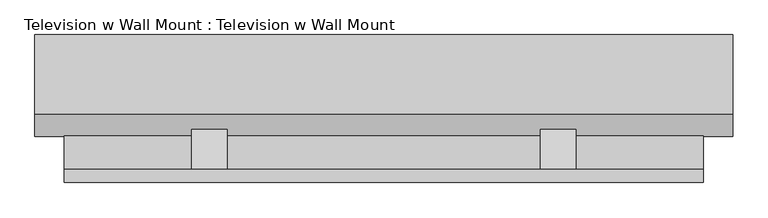
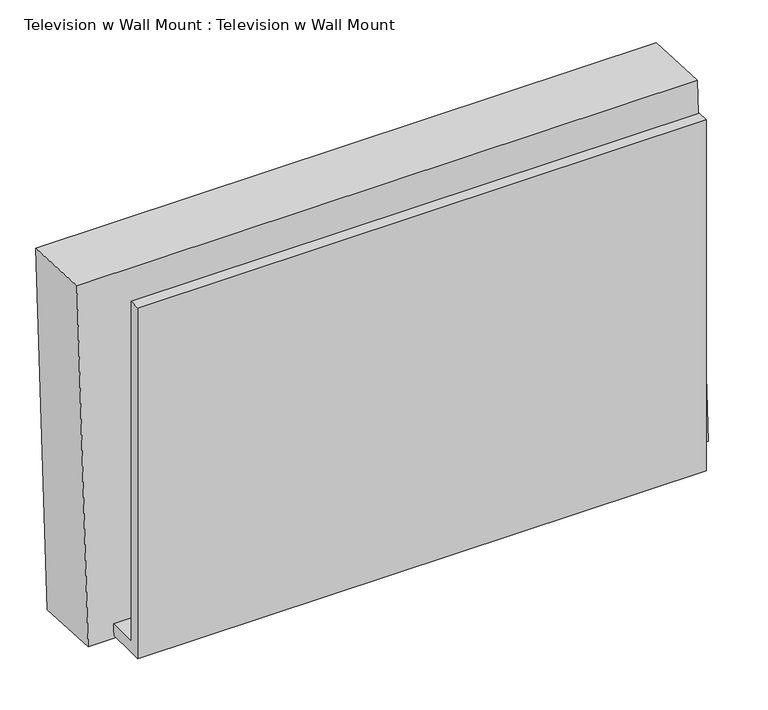
"""IFC4 building model written with IfcOpenShell, lengths in millimetres: proxy geometry, Television w Wall Mount : Television w Wall Mount."""

from ifc_helpers import new_model, si_unit, point, frame, frame_2d, origin, place, context, project, spatial, polyline, circle_curve, trimmed, segment, composite_curve, outline, extrude, source, transform, mapped, element, save
from ifc_brep_helpers import plane_surface, revolved_surface, advanced_brep


def television_w_wall_mount_television_w_wall_mount_cc8eaa67(model_context):
    return source(origin(), model_context, "Body", "SolidModel", [
        extrude(outline(composite_curve([segment(trimmed(circle_curve(frame_2d((0.0, -9.0037851)), 9.0037851), [point((0.0, -18.0075701))], [point((0.0, 0.0))], False, "CARTESIAN"), True, "CONTINUOUS"), segment(trimmed(circle_curve(frame_2d((0.0, -9.0037851)), 9.0037851), [point((0.0, 0.0))], [point((0.0, -18.0075701))], False, "CARTESIAN"), True, "CONTINUOUS")], self_intersect=False)), frame((-656.4331651, 240.5253505, 2466.195864), z_axis=(0.0, -0.9986295347545739, 0.05233595624294378), x_axis=(1.0, 0.0, 0.0)), (0.0, 0.0, 1.0), 3.175),
        extrude(outline(composite_curve([segment(trimmed(circle_curve(frame_2d((0.0, -9.0037851)), 9.0037851), [point((0.0, -18.0075701))], [point((0.0, 0.0))], False, "CARTESIAN"), True, "CONTINUOUS"), segment(trimmed(circle_curve(frame_2d((0.0, -9.0037851)), 9.0037851), [point((0.0, 0.0))], [point((0.0, -18.0075701))], False, "CARTESIAN"), True, "CONTINUOUS")], self_intersect=False)), frame((-675.4831651, 240.5253505, 2466.195864), z_axis=(0.0, -0.9986295347545739, 0.05233595624294378), x_axis=(1.0, 0.0, 0.0)), (0.0, 0.0, 1.0), 3.175),
        extrude(outline(polyline([(138.7616051, 2647.7291544), (135.5082889, 2585.6521819), (80.9625, 2680.1282596), (80.9625, 2705.5282596), (138.7616051, 2647.7291544)])), frame((-38.7151563, 0.0, 0.0), z_axis=(1.0, 0.0, 0.0), x_axis=(0.0, 1.0, 0.0)), (0.0, 0.0, 1.0), 50.8),
        extrude(outline(polyline([(138.7616051, 2647.7291544), (135.5082889, 2585.6521819), (80.9625, 2680.1282596), (80.9625, 2705.5282596), (138.7616051, 2647.7291544)])), frame((-537.7854688, 0.0, 0.0), z_axis=(1.0, 0.0, 0.0), x_axis=(0.0, 1.0, 0.0)), (0.0, 0.0, 1.0), 50.8),
        extrude(outline(polyline([(61.9125, 2451.1), (61.9125, 3048.0), (80.9625, 3048.0), (80.9625, 2470.15), (129.455076, 2470.15), (128.4567078, 2451.1), (80.9625, 2451.1), (61.9125, 2451.1)])), frame((-720.0503125, 0.0, 0.0), z_axis=(1.0, 0.0, 0.0), x_axis=(0.0, 1.0, 0.0)), (0.0, 0.0, 1.0), 914.4),
        extrude(outline(polyline([(0.0, -933.053125), (0.0, 0.0), (3.175, 0.0), (3.175, -933.053125), (0.0, -933.053125)])), frame((-729.376875, 237.7077838, 2473.0992385), z_axis=(0.0, 0.052335956242984656, 0.9986295347545718), x_axis=(0.0, 0.9986295347545718, -0.052335956242984656)), (0.0, 0.0, 1.0), 531.4488846),
        extrude(outline(polyline([(0.0, -933.053125), (0.0, 0.0), (76.2, 0.0), (76.2, -933.053125), (0.0, -933.053125)])), frame((-729.376875, 155.2709157, 2477.4195717), z_axis=(0.0, 0.052335956242941954, 0.998629534754574), x_axis=(0.0, 0.998629534754574, -0.052335956242941954)), (0.0, 0.0, 1.0), 531.4488846),
        extrude(outline(composite_curve([segment(trimmed(circle_curve(frame_2d((0.0, -9.0037851)), 9.0037851), [point((0.0, -18.0075701))], [point((0.0, 0.0))], False, "CARTESIAN"), True, "CONTINUOUS"), segment(trimmed(circle_curve(frame_2d((0.0, -9.0037851)), 9.0037851), [point((0.0, 0.0))], [point((0.0, -18.0075701))], False, "CARTESIAN"), True, "CONTINUOUS")], self_intersect=False)), frame((-694.5331651, 240.5253505, 2466.195864), z_axis=(0.0, -0.9986295347545739, 0.05233595624294378), x_axis=(1.0, 0.0, 0.0)), (0.0, 0.0, 1.0), 3.175),
        advanced_brep(
        [(-761.920625, 159.4228194, 3041.9686073), (-761.920625, 128.2025172, 2446.249755), (236.22, 128.2025172, 2446.249755), (236.22, 159.4228194, 3041.9686073), (-761.920625, 273.5661752, 3035.9866075), (236.22, 273.5661752, 3035.9866075), (236.22, 242.3458731, 2440.2677552), (-761.920625, 242.3458731, 2440.2677552), (-729.376875, 271.8629669, 3003.4874576), (-729.376875, 244.0490813, 2472.7669052), (203.67625, 244.0490813, 2472.7669052), (203.67625, 271.8629669, 3003.4874576), (-694.5331651, 242.907645, 2450.9870027), (-694.5331651, 243.5723117, 2463.6695978), (-675.4831651, 242.907645, 2450.9870027), (-675.4831651, 243.5723117, 2463.6695978), (-656.4331651, 242.907645, 2450.9870027), (-656.4331651, 243.5723117, 2463.6695978), (-729.376875, 183.0848013, 3008.1401241), (203.67625, 183.0848013, 3008.1401241), (203.67625, 155.2709157, 2477.4195717), (-729.376875, 155.2709157, 2477.4195717), (-694.5331651, 154.1294794, 2455.6396693), (-694.5331651, 154.794146, 2468.3222643), (-675.4831651, 154.1294794, 2455.6396693), (-675.4831651, 154.794146, 2468.3222643), (-656.4331651, 154.1294794, 2455.6396693), (-656.4331651, 154.794146, 2468.3222643)],
        [
            (0, 1),
            (1, 2),
            (2, 3),
            (3, 0),
            (4, 5),
            (5, 6),
            (6, 7),
            (7, 4),
            (8, 9),
            (9, 10),
            (10, 11),
            (11, 8),
            (12, 13, circle_curve(frame((-694.5331651, 243.2399783, 2457.3283003), z_axis=(0.0, -0.9986295347545739, 0.05233595624294378), x_axis=(0.0, 0.05233595624294378, 0.9986295347545739)), 6.35)),
            (13, 12, circle_curve(frame((-694.5331651, 243.2399783, 2457.3283003), z_axis=(0.0, -0.9986295347545739, 0.05233595624294378), x_axis=(0.0, 0.05233595624294378, 0.9986295347545739)), 6.35)),
            (14, 15, circle_curve(frame((-675.4831651, 243.2399783, 2457.3283003), z_axis=(0.0, -0.9986295347545739, 0.05233595624294378), x_axis=(0.0, 0.05233595624294378, 0.9986295347545739)), 6.35)),
            (15, 14, circle_curve(frame((-675.4831651, 243.2399783, 2457.3283003), z_axis=(0.0, -0.9986295347545739, 0.05233595624294378), x_axis=(0.0, 0.05233595624294378, 0.9986295347545739)), 6.35)),
            (16, 17, circle_curve(frame((-656.4331651, 243.2399783, 2457.3283003), z_axis=(0.0, -0.9986295347545739, 0.05233595624294378), x_axis=(0.0, 0.05233595624294378, 0.9986295347545739)), 6.35)),
            (17, 16, circle_curve(frame((-656.4331651, 243.2399783, 2457.3283003), z_axis=(0.0, -0.9986295347545739, 0.05233595624294378), x_axis=(0.0, 0.05233595624294378, 0.9986295347545739)), 6.35)),
            (0, 4),
            (7, 1),
            (6, 2),
            (5, 3),
            (18, 19),
            (19, 20),
            (20, 21),
            (21, 18),
            (21, 9),
            (8, 18),
            (20, 10),
            (19, 11),
            (22, 23, circle_curve(frame((-694.5331651, 154.4618127, 2461.9809668), z_axis=(0.0, 0.9986295347545739, -0.05233595624294378), x_axis=(0.0, 0.05233595624294378, 0.9986295347545739)), 6.35)),
            (23, 22, circle_curve(frame((-694.5331651, 154.4618127, 2461.9809668), z_axis=(0.0, 0.9986295347545739, -0.05233595624294378), x_axis=(0.0, 0.05233595624294378, 0.9986295347545739)), 6.35)),
            (24, 25, circle_curve(frame((-675.4831651, 154.4618127, 2461.9809668), z_axis=(0.0, 0.9986295347545739, -0.05233595624294378), x_axis=(0.0, 0.05233595624294378, 0.9986295347545739)), 6.35)),
            (25, 24, circle_curve(frame((-675.4831651, 154.4618127, 2461.9809668), z_axis=(0.0, 0.9986295347545739, -0.05233595624294378), x_axis=(0.0, 0.05233595624294378, 0.9986295347545739)), 6.35)),
            (26, 27, circle_curve(frame((-656.4331651, 154.4618127, 2461.9809668), z_axis=(0.0, 0.9986295347545739, -0.05233595624294378), x_axis=(0.0, 0.05233595624294378, 0.9986295347545739)), 6.35)),
            (27, 26, circle_curve(frame((-656.4331651, 154.4618127, 2461.9809668), z_axis=(0.0, 0.9986295347545739, -0.05233595624294378), x_axis=(0.0, 0.05233595624294378, 0.9986295347545739)), 6.35)),
            (23, 13),
            (12, 22),
            (25, 15),
            (14, 24),
            (27, 17),
            (16, 26),
        ],
        [
            plane_surface(frame((-761.920625, 159.4228194, 3041.9686073), z_axis=(0.0, -0.9986295347545739, 0.05233595624294378), x_axis=(0.0, -0.05233595624294378, -0.9986295347545739))),
            plane_surface(frame((-761.920625, 273.5661752, 3035.9866075), z_axis=(0.0, 0.9986295347545739, -0.05233595624294378), x_axis=(0.0, 0.05233595624294378, 0.9986295347545739))),
            plane_surface(frame((-761.920625, 159.4228194, 3041.9686073), z_axis=(-1.0000000000000002, 0.0, 0.0), x_axis=(0.0, 0.998629534754574, -0.05233595624294197))),
            plane_surface(frame((-761.920625, 128.2025172, 2446.249755), z_axis=(0.0, -0.05233595624294196, -0.998629534754574), x_axis=(0.0, 0.998629534754574, -0.05233595624294196))),
            plane_surface(frame((236.22, 128.2025172, 2446.249755), z_axis=(1.0000000000000002, 0.0, 0.0), x_axis=(0.0, 0.998629534754574, -0.05233595624294196))),
            plane_surface(frame((236.22, 159.4228194, 3041.9686073), z_axis=(0.0, 0.05233595624294197, 0.998629534754574), x_axis=(0.0, 0.998629534754574, -0.05233595624294197))),
            plane_surface(frame((-729.376875, 183.0848013, 3008.1401241), z_axis=(0.0, 0.9986295347545739, -0.05233595624294378), x_axis=(0.0, -0.05233595624294378, -0.9986295347545739))),
            plane_surface(frame((-729.376875, 183.0848013, 3008.1401241), z_axis=(1.0000000000000002, 0.0, 0.0), x_axis=(0.0, 0.998629534754574, -0.05233595624294197))),
            plane_surface(frame((-729.376875, 155.2709157, 2477.4195717), z_axis=(0.0, 0.05233595624294197, 0.998629534754574), x_axis=(0.0, 0.998629534754574, -0.05233595624294197))),
            plane_surface(frame((203.67625, 155.2709157, 2477.4195717), z_axis=(-1.0000000000000002, 0.0, 0.0), x_axis=(0.0, 0.998629534754574, -0.05233595624294197))),
            plane_surface(frame((203.67625, 183.0848013, 3008.1401241), z_axis=(0.0, -0.05233595624294197, -0.998629534754574), x_axis=(0.0, 0.998629534754574, -0.05233595624294197))),
            plane_surface(frame((-694.5331651, 154.794146, 2468.3222643), z_axis=(0.0, 0.9986295347545739, -0.05233595624294377), x_axis=(-1.0, 0.0, 0.0))),
            revolved_surface(polyline([(-694.5331651, 154.79414600286253, 2468.3222643546205), (-694.5331651, 243.5723117021748, 2463.6695978414978)]), (-694.5331651, 243.2399783, 2457.3283003), (0.0, -0.9986295347545739, 0.05233595624294378)),
            revolved_surface(polyline([(-675.4831651, 154.79414600299884, 2468.3222643572212), (-675.4831651, 243.57231170231108, 2463.669597844098)]), (-675.4831651, 129.0966225, 2463.3103001), (0.0, -0.9986295347545739, 0.05233595624294378)),
            revolved_surface(polyline([(-656.4331651, 154.79414600299884, 2468.3222643572212), (-656.4331651, 243.57231170231108, 2463.669597844098)]), (-656.4331651, 129.0966225, 2463.3103001), (0.0, -0.9986295347545739, 0.05233595624294378)),
        ],
        [
            (0, [[1, 2, 3, 4]]),
            (1, [[5, 6, 7, 8], [9, 10, 11, 12], [13, 14], [15, 16], [17, 18]]),
            (2, [[-1, 19, -8, 20]]),
            (3, [[-2, -20, -7, 21]]),
            (4, [[-3, -21, -6, 22]]),
            (5, [[-4, -22, -5, -19]]),
            (6, [[23, 24, 25, 26]]),
            (7, [[-26, 27, -9, 28]]),
            (8, [[-25, 29, -10, -27]]),
            (9, [[-24, 30, -11, -29]]),
            (10, [[-23, -28, -12, -30]]),
            (11, [[31, 32]]),
            (11, [[33, 34]]),
            (11, [[35, 36]]),
            (12, [[-32, 37, -13, 38]]),
            (12, [[-31, -38, -14, -37]]),
            (13, [[-34, 39, -15, 40]]),
            (13, [[-33, -40, -16, -39]]),
            (14, [[-36, 41, -17, 42]]),
            (14, [[-35, -42, -18, -41]]),
        ],
    ),
    ])


if __name__ == "__main__":
    model = new_model("IFC4")
    model_context = context("Model", 3, world=origin())
    ifc_project = project(units=[si_unit("LENGTHUNIT", "METRE", prefix="MILLI")], contexts=[model_context])
    site = spatial("IfcSite", under=ifc_project)
    building = spatial("IfcBuilding", under=site)
    placement = place(None, origin())
    television_w_wall_mount_television_w_wall_mount_shape = television_w_wall_mount_television_w_wall_mount_cc8eaa67(model_context)
    element("IfcBuildingElementProxy", 1, Name="Television w Wall Mount : Television w Wall Mount", ObjectType="Television w Wall Mount : Television w Wall Mount", at=placement, inside=building, context=model_context, shape_type="MappedRepresentation", body=[
        mapped(television_w_wall_mount_television_w_wall_mount_shape, transform((0.0, 0.0, 0.0), x_axis=(1.0, 0.0, 0.0), y_axis=(0.0, 1.0, 0.0), z_axis=(0.0, 0.0, 1.0))),
    ])
    save(model, "model.ifc")
